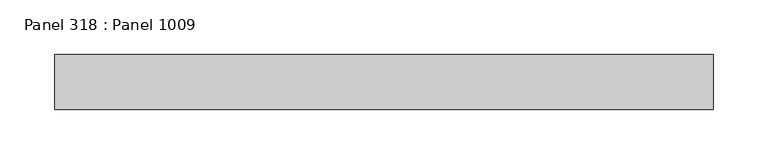
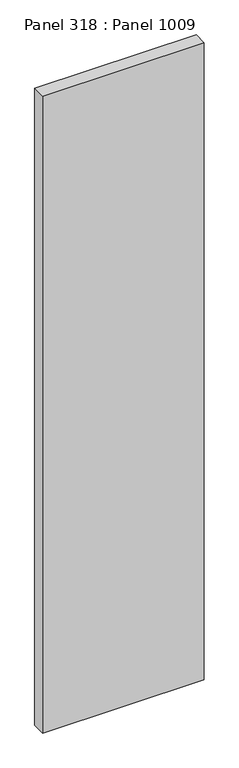
"""IFC4 building model written with IfcOpenShell, lengths in millimetres: proxy geometry, Panel 318 : Panel 1009."""

from ifc_helpers import new_model, si_unit, frame, origin, place, context, project, spatial, polyline, outline, extrude, source, transform, mapped, element, save


def panel_318_panel_1009_ecfe5098(model_context):
    return source(origin(), model_context, "Body", "SweptSolid", [
        extrude(outline(polyline([(30067.4758476, 328855.7856257), (30067.4758472, 328905.7856678), (30667.475836, 328905.7856463), (30667.4758364, 328855.7856041), (30067.4758476, 328855.7856257)])), frame((0.0, 0.0, 34575.0), z_axis=(0.0, 0.0, 1.0), x_axis=(1.0, 0.0, 0.0)), (0.0, 0.0, 1.0), 2500.0),
    ])


if __name__ == "__main__":
    model = new_model("IFC4")
    model_context = context("Model", 3, world=origin())
    ifc_project = project(units=[si_unit("LENGTHUNIT", "METRE", prefix="MILLI")], contexts=[model_context])
    site = spatial("IfcSite", under=ifc_project)
    building = spatial("IfcBuilding", under=site)
    placement = place(None, origin())
    panel_318_panel_1009_shape = panel_318_panel_1009_ecfe5098(model_context)
    element("IfcBuildingElementProxy", 1, Name="Panel 318 : Panel 1009", ObjectType="Panel 318 : Panel 1009", at=placement, inside=building, context=model_context, shape_type="MappedRepresentation", body=[
        mapped(panel_318_panel_1009_shape, transform((0.0, 0.0, 0.0), x_axis=(1.0, 0.0, 0.0), y_axis=(0.0, 1.0, 0.0), z_axis=(0.0, 0.0, 1.0))),
    ])
    save(model, "model.ifc")
